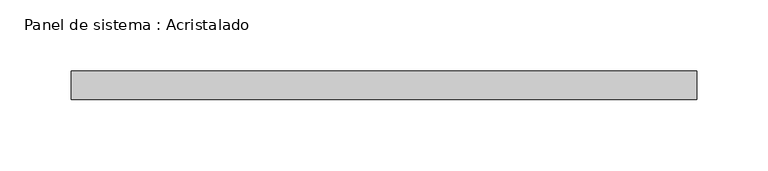
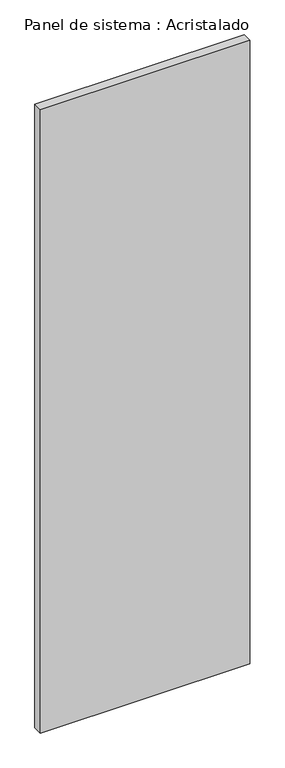
"""IFC4 building model written with IfcOpenShell, lengths in millimetres: plate geometry, Panel de sistema : Acristalado."""

from ifc_helpers import new_model, si_unit, origin, origin_with_axes, place, context, project, spatial, polyline, outline, extrude, source, transform, mapped, element, save


def panel_de_sistema_acristalado_02caba13(model_context):
    return source(origin(), model_context, "Body", "SweptSolid", [
        extrude(outline(polyline([(219.5, -10.0), (-219.5, -10.0), (-219.5, 10.0), (219.5, 10.0), (219.5, -10.0)])), origin_with_axes(), (0.0, 0.0, 1.0), 1382.4904288),
    ])


if __name__ == "__main__":
    model = new_model("IFC4")
    model_context = context("Model", 3, world=origin())
    ifc_project = project(units=[si_unit("LENGTHUNIT", "METRE", prefix="MILLI")], contexts=[model_context])
    site = spatial("IfcSite", under=ifc_project)
    building = spatial("IfcBuilding", under=site)
    placement = place(None, origin())
    panel_de_sistema_acristalado_shape = panel_de_sistema_acristalado_02caba13(model_context)
    element("IfcPlate", 1, ObjectType="Panel de sistema : Acristalado", at=placement, inside=building, context=model_context, shape_type="MappedRepresentation", body=[
        mapped(panel_de_sistema_acristalado_shape, transform((0.0, 0.0, 0.0), x_axis=(1.0, 0.0, 0.0), y_axis=(0.0, 1.0, 0.0), z_axis=(0.0, 0.0, 1.0))),
    ])
    save(model, "model.ifc")
